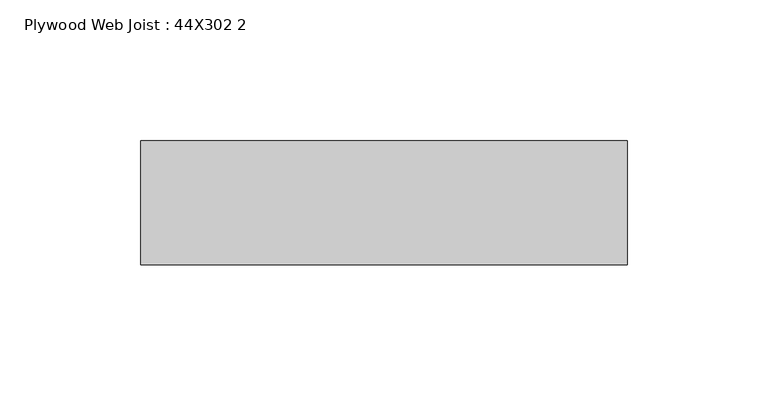
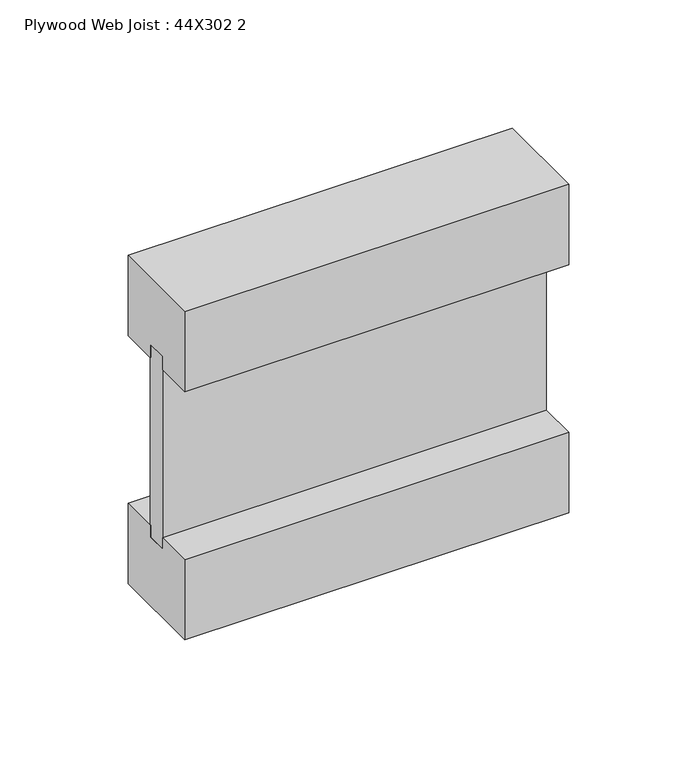
"""IFC4 building model written with IfcOpenShell, lengths in millimetres: beam geometry, Plywood Web Joist : 44X302 2."""

from ifc_helpers import new_model, si_unit, frame, origin, place, context, project, spatial, polyline, outline, extrude, source, transform, mapped, element, save


def plywood_web_joist_44x302_2_719d7768(model_context):
    return source(origin(), model_context, "Body", "SweptSolid", [
        extrude(outline(polyline([(-22.0, 78.0), (22.0, 78.0), (22.0, 39.9), (4.7625, 39.9), (4.7625, 46.25), (-4.7625, 46.25), (-4.7625, 39.9), (-22.0, 39.9), (-22.0, 78.0)])), frame((-147.5976944, 0.0, 0.0), z_axis=(1.0, 0.0, 0.0), x_axis=(0.0, 1.0, 0.0)), (0.0, 0.0, 1.0), 172.5976944),
        extrude(outline(polyline([(22.0, -39.9), (22.0, -78.0), (-22.0, -78.0), (-22.0, -39.9), (-4.7625, -39.9), (-4.7625, -45.5160374), (4.7625, -45.5160374), (4.7625, -39.9), (22.0, -39.9)])), frame((-147.5976944, 0.0, 0.0), z_axis=(1.0, 0.0, 0.0), x_axis=(0.0, 1.0, 0.0)), (0.0, 0.0, 1.0), 172.5976944),
        extrude(outline(polyline([(25.0, 4.7625), (25.0, -4.7625), (-147.5976944, -4.7625), (-147.5976944, 4.7625), (25.0, 4.7625)])), frame((0.0, 0.0, -45.5160374), z_axis=(0.0, 0.0, 1.0), x_axis=(1.0, 0.0, 0.0)), (0.0, 0.0, 1.0), 91.7660374),
    ])


if __name__ == "__main__":
    model = new_model("IFC4")
    model_context = context("Model", 3, world=origin())
    ifc_project = project(units=[si_unit("LENGTHUNIT", "METRE", prefix="MILLI")], contexts=[model_context])
    site = spatial("IfcSite", under=ifc_project)
    building = spatial("IfcBuilding", under=site)
    placement = place(None, origin())
    plywood_web_joist_44x302_2_shape = plywood_web_joist_44x302_2_719d7768(model_context)
    element("IfcBeam", 1, ObjectType="Plywood Web Joist : 44X302 2", at=placement, inside=building, context=model_context, shape_type="MappedRepresentation", body=[
        mapped(plywood_web_joist_44x302_2_shape, transform((0.0, 0.0, 0.0), x_axis=(1.0, 0.0, 0.0), y_axis=(0.0, 1.0, 0.0), z_axis=(0.0, 0.0, 1.0))),
    ])
    save(model, "model.ifc")
